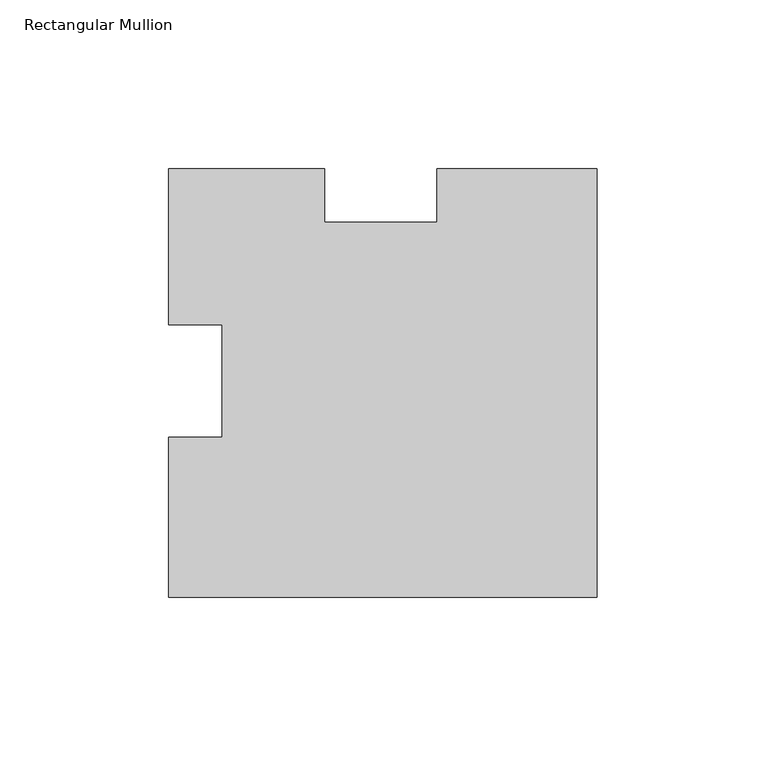
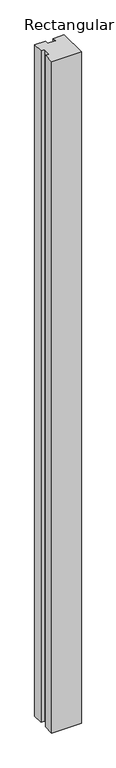
"""IFC4 building model written with IfcOpenShell, lengths in millimetres: member geometry, Rectangular Mullion."""

from ifc_helpers import new_model, si_unit, frame, origin, place, context, project, spatial, polyline, outline, extrude, source, transform, mapped, element, save


def rectangular_mullion_8d07bdfa(model_context):
    return source(origin(), model_context, "Body", "SweptSolid", [
        extrude(outline(polyline([(0.0, 62.3062), (0.0, -64.6938), (-127.0, -64.6938), (-127.0, -17.2683063), (-111.125, -17.2683063), (-111.125, 16.12329), (-127.0, 16.12329), (-127.0, 62.3062), (-80.8457209, 62.3062), (-80.8457209, 46.4312), (-47.4586799, 46.4312), (-47.4586799, 62.3062), (0.0, 62.3062)])), frame((0.0, 0.0, -3048.0), z_axis=(0.0, 0.0, 1.0), x_axis=(1.0, 0.0, 0.0)), (0.0, 0.0, 1.0), 3048.0),
    ])


if __name__ == "__main__":
    model = new_model("IFC4")
    model_context = context("Model", 3, world=origin())
    ifc_project = project(units=[si_unit("LENGTHUNIT", "METRE", prefix="MILLI")], contexts=[model_context])
    site = spatial("IfcSite", under=ifc_project)
    building = spatial("IfcBuilding", under=site)
    placement = place(None, origin())
    rectangular_mullion_shape = rectangular_mullion_8d07bdfa(model_context)
    element("IfcMember", 1, ObjectType="Rectangular Mullion", at=placement, inside=building, context=model_context, shape_type="MappedRepresentation", body=[
        mapped(rectangular_mullion_shape, transform((0.0, 0.0, 0.0), x_axis=(1.0, 0.0, 0.0), y_axis=(0.0, 1.0, 0.0), z_axis=(0.0, 0.0, 1.0))),
    ])
    save(model, "model.ifc")
